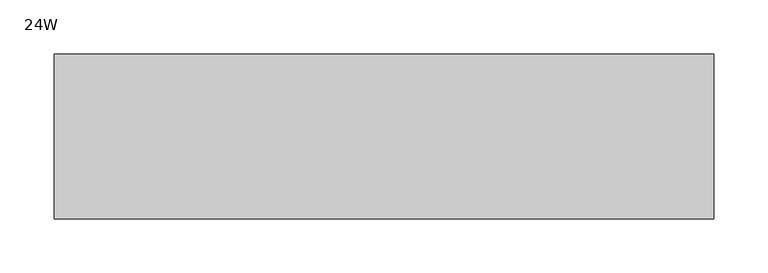
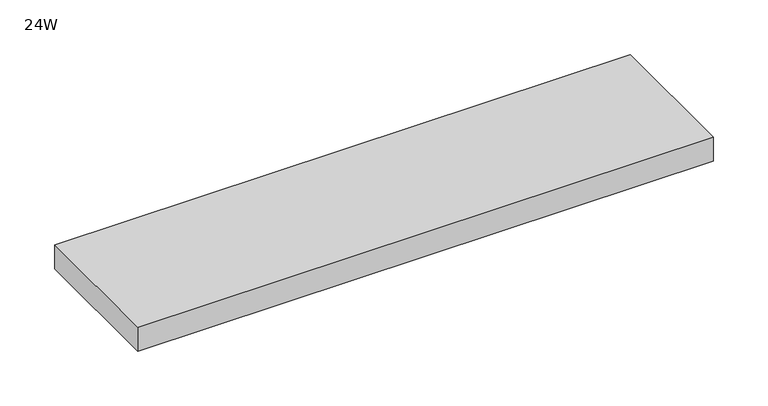
"""IFC4 building model written with IfcOpenShell, lengths in millimetres: furniture geometry, 24W."""

from ifc_helpers import new_model, si_unit, frame, origin, place, context, project, spatial, polyline, outline, extrude, source, transform, mapped, element, save


def furniture_24w_5b25f508(model_context):
    return source(origin(), model_context, "Body", "SweptSolid", [
        extrude(outline(polyline([(609.6, 0.0), (609.6, -152.4), (0.0, -152.4), (0.0, 0.0), (609.6, 0.0)])), frame((0.0, 0.0, 457.2), z_axis=(0.0, 0.0, 1.0), x_axis=(1.0, 0.0, 0.0)), (0.0, 0.0, 1.0), 26.924),
    ])


if __name__ == "__main__":
    model = new_model("IFC4")
    model_context = context("Model", 3, world=origin())
    ifc_project = project(units=[si_unit("LENGTHUNIT", "METRE", prefix="MILLI")], contexts=[model_context])
    site = spatial("IfcSite", under=ifc_project)
    building = spatial("IfcBuilding", under=site)
    placement = place(None, origin())
    furniture_24w_shape = furniture_24w_5b25f508(model_context)
    element("IfcFurniture", 1, ObjectType="24W", at=placement, inside=building, context=model_context, shape_type="MappedRepresentation", body=[
        mapped(furniture_24w_shape, transform((0.0, 0.0, 0.0), x_axis=(1.0, 0.0, 0.0), y_axis=(0.0, 1.0, 0.0), z_axis=(0.0, 0.0, 1.0))),
    ])
    save(model, "model.ifc")
